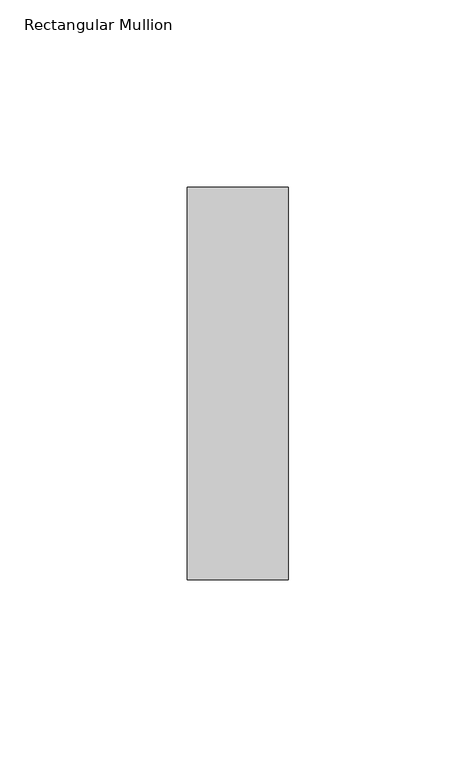
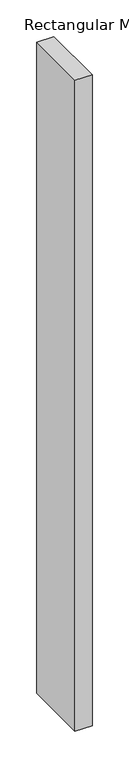
"""IFC4 building model written with IfcOpenShell, lengths in millimetres: member geometry, Rectangular Mullion."""

from ifc_helpers import new_model, si_unit, frame, origin, place, context, project, spatial, polyline, outline, extrude, source, transform, mapped, element, save


def rectangular_mullion_0d8c7667(model_context):
    return source(origin(), model_context, "Body", "SweptSolid", [
        extrude(outline(polyline([(-27.0, 52.3975), (0.0, 52.3975), (0.0, -52.3975), (-27.0, -52.3975), (-27.0, 52.3975)])), frame((0.0, 0.0, -1086.0), z_axis=(0.0, 0.0, 1.0), x_axis=(1.0, 0.0, 0.0)), (0.0, 0.0, 1.0), 1086.0),
    ])


if __name__ == "__main__":
    model = new_model("IFC4")
    model_context = context("Model", 3, world=origin())
    ifc_project = project(units=[si_unit("LENGTHUNIT", "METRE", prefix="MILLI")], contexts=[model_context])
    site = spatial("IfcSite", under=ifc_project)
    building = spatial("IfcBuilding", under=site)
    placement = place(None, origin())
    rectangular_mullion_shape = rectangular_mullion_0d8c7667(model_context)
    element("IfcMember", 1, ObjectType="Rectangular Mullion", at=placement, inside=building, context=model_context, shape_type="MappedRepresentation", body=[
        mapped(rectangular_mullion_shape, transform((0.0, 0.0, 0.0), x_axis=(1.0, 0.0, 0.0), y_axis=(0.0, 1.0, 0.0), z_axis=(0.0, 0.0, 1.0))),
    ])
    save(model, "model.ifc")
